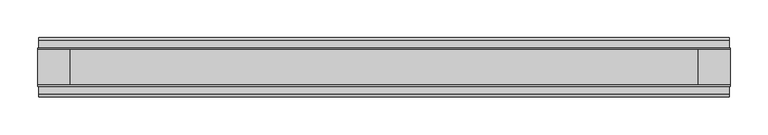
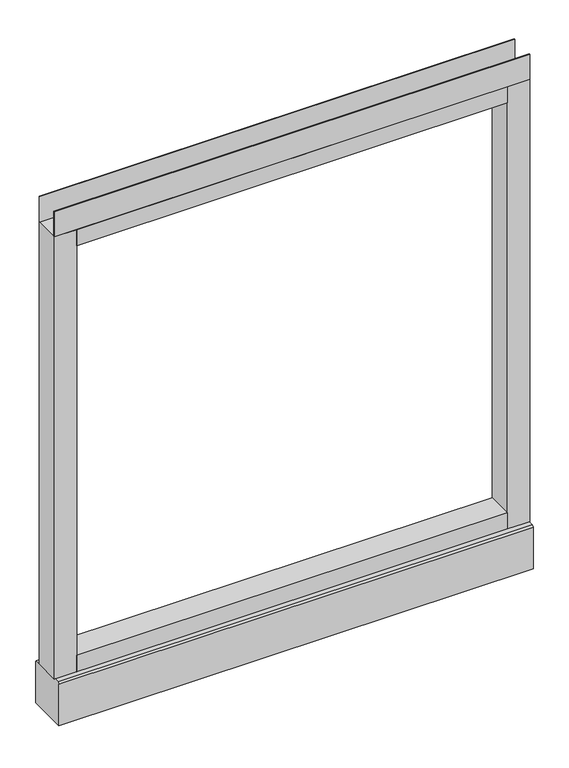
"""IFC4 building model written with IfcOpenShell, lengths in millimetres: furniture geometry."""

from ifc_helpers import new_model, si_unit, point, frame, frame_2d, origin, place, context, project, spatial, polyline, circle_curve, trimmed, segment, composite_curve, outline, extrude, source, transform, mapped, element, save
from ifc_brep_helpers import plane_surface, revolved_surface, advanced_brep


def furniture_cf06f6c6(model_context):
    return source(origin(), model_context, "Body", "SolidModel", [
        advanced_brep(
        [(387.35, 0.0, 6.35), (412.75, 0.0, 6.35), (381.0, 0.0, 0.0), (419.1, 0.0, 0.0)],
        [
            (0, 1, circle_curve(frame((400.05, 0.0, 6.35), z_axis=(0.0, 0.0, 1.0), x_axis=(-1.0, 0.0, 0.0)), 12.7)),
            (1, 0, circle_curve(frame((400.05, 0.0, 6.35), z_axis=(0.0, 0.0, 1.0), x_axis=(1.0, 0.0, 0.0)), 12.7)),
            (2, 3, circle_curve(frame((400.05, 0.0, 0.0), z_axis=(0.0, 0.0, -1.0), x_axis=(1.0, 0.0, 0.0)), 19.05)),
            (3, 2, circle_curve(frame((400.05, 0.0, 0.0), z_axis=(0.0, 0.0, -1.0), x_axis=(-1.0, 0.0, 0.0)), 19.05)),
            (3, 1),
            (0, 2),
        ],
        [
            plane_surface(frame((400.05, 0.0, 6.35), z_axis=(0.0, 0.0, 1.0), x_axis=(0.0, -1.0, 0.0))),
            plane_surface(frame((400.05, 0.0, 0.0), z_axis=(0.0, 0.0, -1.0), x_axis=(0.0, -1.0, 0.0))),
            revolved_surface(polyline([(387.35, 0.0, 6.35), (381.0, 0.0, 0.0)]), (400.05, 0.0, 19.05), (0.0, 0.0, -1.0)),
            revolved_surface(polyline([(412.75, 0.0, 6.35), (419.1, 0.0, 0.0)]), (400.05, 0.0, 19.05), (0.0, 0.0, -1.0)),
        ],
        [
            (0, [[1, 2]]),
            (1, [[3, 4]]),
            (2, [[-4, 5, -1, 6]]),
            (3, [[-3, -6, -2, -5]]),
        ],
    ),
        advanced_brep(
        [(-412.75, 0.0, 6.35), (-387.35, 0.0, 6.35), (-419.1, 0.0, 0.0), (-381.0, 0.0, 0.0)],
        [
            (0, 1, circle_curve(frame((-400.05, 0.0, 6.35), z_axis=(0.0, 0.0, 1.0), x_axis=(-1.0, 0.0, 0.0)), 12.7)),
            (1, 0, circle_curve(frame((-400.05, 0.0, 6.35), z_axis=(0.0, 0.0, 1.0), x_axis=(1.0, 0.0, 0.0)), 12.7)),
            (2, 3, circle_curve(frame((-400.05, 0.0, 0.0), z_axis=(0.0, 0.0, -1.0), x_axis=(1.0, 0.0, 0.0)), 19.05)),
            (3, 2, circle_curve(frame((-400.05, 0.0, 0.0), z_axis=(0.0, 0.0, -1.0), x_axis=(-1.0, 0.0, 0.0)), 19.05)),
            (3, 1),
            (0, 2),
        ],
        [
            plane_surface(frame((-400.05, 0.0, 6.35), z_axis=(0.0, 0.0, 1.0), x_axis=(0.0, -1.0, 0.0))),
            plane_surface(frame((-400.05, 0.0, 0.0), z_axis=(0.0, 0.0, -1.0), x_axis=(0.0, -1.0, 0.0))),
            revolved_surface(polyline([(-412.75, 0.0, 6.35), (-419.1, 0.0, 0.0)]), (-400.05, 0.0, 19.05), (0.0, 0.0, -1.0)),
            revolved_surface(polyline([(-387.35, 0.0, 6.35), (-381.0, 0.0, 0.0)]), (-400.05, 0.0, 19.05), (0.0, 0.0, -1.0)),
        ],
        [
            (0, [[1, 2]]),
            (1, [[3, 4]]),
            (2, [[-4, 5, -1, 6]]),
            (3, [[-3, -6, -2, -5]]),
        ],
    ),
        extrude(outline(polyline([(457.2, -23.8125), (457.2, -25.4), (-457.2, -25.4), (-457.2, -23.8125), (457.2, -23.8125)])), frame((0.0, 0.0, 1000.633), z_axis=(0.0, 0.0, 1.0), x_axis=(1.0, 0.0, 0.0)), (0.0, 0.0, 1.0), 51.435),
        extrude(outline(polyline([(457.2, 25.4), (457.2, 23.8125), (-457.2, 23.8125), (-457.2, 25.4), (457.2, 25.4)])), frame((0.0, 0.0, 1000.633), z_axis=(0.0, 0.0, 1.0), x_axis=(1.0, 0.0, 0.0)), (0.0, 0.0, 1.0), 51.435),
        extrude(outline(polyline([(414.3375, -25.4), (-414.3375, -25.4), (-414.3375, 25.4), (414.3375, 25.4), (414.3375, -25.4)])), frame((0.0, 0.0, 967.74), z_axis=(0.0, 0.0, 1.0), x_axis=(1.0, 0.0, 0.0)), (0.0, 0.0, 1.0), 32.893),
        extrude(outline(polyline([(414.3375, -25.4), (-414.3375, -25.4), (-414.3375, 25.4), (414.3375, 25.4), (414.3375, -25.4)])), frame((0.0, 0.0, 101.6), z_axis=(0.0, 0.0, 1.0), x_axis=(1.0, 0.0, 0.0)), (0.0, 0.0, 1.0), 32.893),
        extrude(outline(composite_curve([segment(trimmed(circle_curve(frame_2d((-400.05, 0.0)), 5.55625), [point((-405.60625, 0.0))], [point((-394.49375, 0.0))], False, "CARTESIAN"), True, "CONTINUOUS"), segment(trimmed(circle_curve(frame_2d((-400.05, 0.0)), 5.55625), [point((-394.49375, 0.0))], [point((-405.60625, 0.0))], False, "CARTESIAN"), True, "CONTINUOUS")], self_intersect=False)), frame((0.0, 0.0, 6.35), z_axis=(0.0, 0.0, 1.0), x_axis=(1.0, 0.0, 0.0)), (0.0, 0.0, 1.0), 7.9375),
        extrude(outline(composite_curve([segment(trimmed(circle_curve(frame_2d((400.05, 0.0)), 5.55625), [point((394.49375, 0.0))], [point((405.60625, 0.0))], False, "CARTESIAN"), True, "CONTINUOUS"), segment(trimmed(circle_curve(frame_2d((400.05, 0.0)), 5.55625), [point((405.60625, 0.0))], [point((394.49375, 0.0))], False, "CARTESIAN"), True, "CONTINUOUS")], self_intersect=False)), frame((0.0, 0.0, 6.35), z_axis=(0.0, 0.0, 1.0), x_axis=(1.0, 0.0, 0.0)), (0.0, 0.0, 1.0), 7.9375),
        extrude(outline(polyline([(-414.3375, -25.4), (-457.2, -25.4), (-457.2, 25.4), (-414.3375, 25.4), (-414.3375, -25.4)])), frame((0.0, 0.0, 101.6), z_axis=(0.0, 0.0, 1.0), x_axis=(1.0, 0.0, 0.0)), (0.0, 0.0, 1.0), 899.033),
        extrude(outline(polyline([(457.2, -25.4), (414.3375, -25.4), (414.3375, 25.4), (457.2, 25.4), (457.2, -25.4)])), frame((0.0, 0.0, 101.6), z_axis=(0.0, 0.0, 1.0), x_axis=(1.0, 0.0, 0.0)), (0.0, 0.0, 1.0), 899.033),
        extrude(outline(polyline([(-35.9171875, 101.6), (35.9171875, 101.6), (39.0921875, 98.425), (39.0921875, 14.2875), (-39.0921875, 14.2875), (-39.0921875, 98.425), (-35.9171875, 101.6)])), frame((-456.057, 0.0, 0.0), z_axis=(1.0, 0.0, 0.0), x_axis=(0.0, 1.0, 0.0)), (0.0, 0.0, 1.0), 912.1140102),
    ])


if __name__ == "__main__":
    model = new_model("IFC4")
    model_context = context("Model", 3, world=origin())
    ifc_project = project(units=[si_unit("LENGTHUNIT", "METRE", prefix="MILLI")], contexts=[model_context])
    site = spatial("IfcSite", under=ifc_project)
    building = spatial("IfcBuilding", under=site)
    placement = place(None, origin())
    furniture_shape = furniture_cf06f6c6(model_context)
    element("IfcFurniture", 1, at=placement, inside=building, context=model_context, shape_type="MappedRepresentation", body=[
        mapped(furniture_shape, transform((0.0, 0.0, 0.0), x_axis=(1.0, 0.0, 0.0), y_axis=(0.0, 1.0, 0.0), z_axis=(0.0, 0.0, 1.0))),
    ])
    save(model, "model.ifc")
